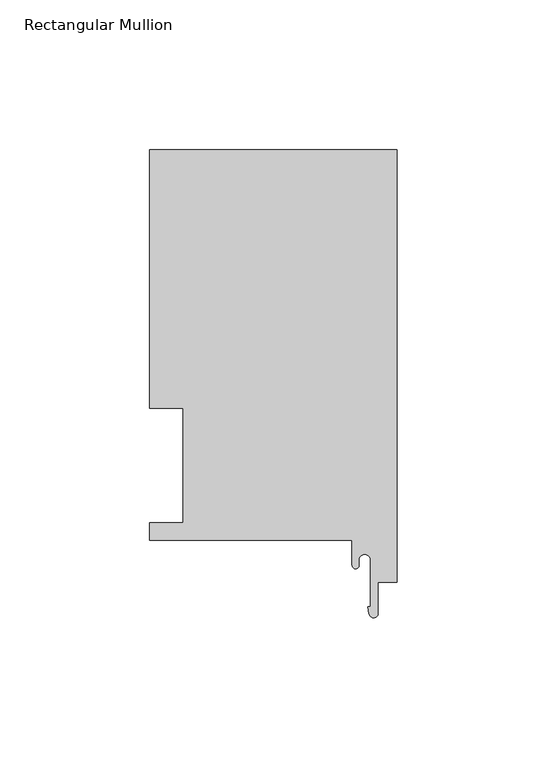
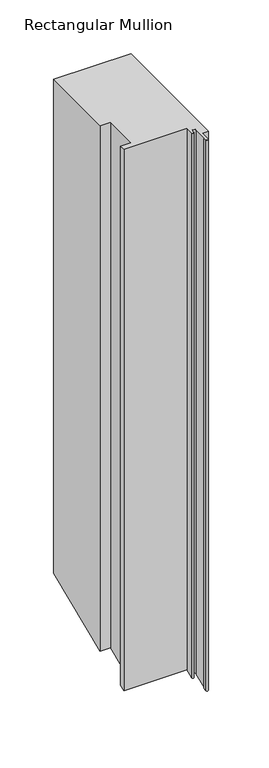
"""IFC4 building model written with IfcOpenShell, lengths in millimetres: member geometry, Rectangular Mullion."""

from ifc_helpers import new_model, si_unit, frame, origin, place, context, project, spatial, polyline, circle_curve, ellipse_curve, source, transform, mapped, element, save
from ifc_brep_helpers import plane_surface, cylinder_surface, revolved_surface, advanced_brep


def rectangular_mullion_72221dca(model_context):
    return source(origin(), model_context, "Body", "AdvancedBrep", [
        advanced_brep(
        [(-82.55, 130.6322, 0.0), (-82.55, 44.45, 0.0), (-71.4450019, 44.45, 0.0), (-71.4450019, 6.35, 0.0), (-82.55, 6.35, 0.0), (-82.55, 0.4064, 0.0), (-14.986, 0.4064, 0.0), (-14.986, -7.9405445, 0.0), (-12.7, -7.9405445, 0.0), (-12.7, -6.1214, 0.0), (-8.89, -6.1214, 0.0), (-8.89, -21.7079145, 0.0), (-9.6940977, -21.7079145, 0.0), (-9.338383, -24.1171734, 0.0), (-6.35, -23.8977531, 0.0), (-6.35, -13.5385716, 0.0), (0.0, -13.5385716, 0.0), (0.0, 130.6322, 0.0), (-82.55, 130.6322, -558.9638318), (-82.55, 44.45, -594.6616679), (-71.4450019, 44.45, -594.6616679), (-71.4450019, 6.35, -610.4432046), (-82.55, 6.35, -610.4432046), (-82.55, 0.4064, -612.9051243), (-14.986, 0.4064, -612.9051243), (-14.986, -7.9405445, -616.3625419), (-12.7, -7.9405445, -616.3625419), (-12.7, -6.1214, -615.6090276), (-8.89, -6.1214, -615.6090276), (-8.89, -21.7079145, -622.0651733), (-9.6940977, -21.7079145, -622.0651733), (-9.338383, -24.1171734, -623.063121), (-6.35, -23.8977531, -622.9722341), (-6.35, -13.5385716, -618.6813207), (0.0, -13.5385716, -618.6813207), (0.0, 130.6322, -558.9638318)],
        [
            (0, 1),
            (1, 2),
            (2, 3),
            (3, 4),
            (4, 5),
            (5, 6),
            (6, 7),
            (7, 8, circle_curve(frame((-13.843, -7.9405445, 0.0), z_axis=(0.0, 0.0, 1.0), x_axis=(0.0, 1.0, 0.0)), 1.143)),
            (8, 9),
            (9, 10, circle_curve(frame((-10.795, -6.1214, 0.0), z_axis=(0.0, 0.0, -1.0), x_axis=(0.0, 1.0, 0.0)), 1.905)),
            (10, 11),
            (11, 12),
            (12, 13),
            (13, 14, circle_curve(frame((-7.8522469, -23.8977531, 0.0), z_axis=(0.0, 0.0, 1.0), x_axis=(0.0, 1.0, 0.0)), 1.5022469)),
            (14, 15),
            (15, 16),
            (16, 17),
            (17, 0),
            (0, 18),
            (18, 19),
            (19, 1),
            (19, 20),
            (20, 2),
            (20, 21),
            (21, 3),
            (21, 22),
            (22, 4),
            (22, 23),
            (23, 5),
            (23, 24),
            (24, 6),
            (24, 25),
            (25, 7),
            (25, 26, ellipse_curve(frame((-13.843, -7.9405445, -616.3625419), z_axis=(0.0, -0.3826834323650894, 0.923879532511287), x_axis=(0.0, 0.9238795325112871, 0.3826834323650891)), 1.2371743, 1.143)),
            (26, 8),
            (26, 27),
            (27, 9),
            (27, 28, ellipse_curve(frame((-10.795, -6.1214, -615.6090276), z_axis=(0.0, 0.3826834323650894, -0.923879532511287), x_axis=(0.0, -0.9238795325112871, -0.3826834323650891)), 2.0619571, 1.905)),
            (28, 10),
            (28, 29),
            (29, 11),
            (29, 30),
            (30, 12),
            (30, 31),
            (31, 13),
            (31, 32, ellipse_curve(frame((-7.8522469, -23.8977531, -622.9722341), z_axis=(0.0, -0.3826834323650894, 0.923879532511287), x_axis=(0.0, 0.9238795325112871, 0.3826834323650891)), 1.6260203, 1.5022469)),
            (32, 14),
            (32, 33),
            (33, 15),
            (33, 34),
            (34, 16),
            (34, 35),
            (35, 17),
            (35, 18),
        ],
        [
            plane_surface(frame((0.0, -154.5292017, 0.0), z_axis=(0.0, 0.0, 1.0), x_axis=(-1.0, 0.0, 0.0))),
            plane_surface(frame((-82.55, 130.6322, 0.0), z_axis=(-1.0, 0.0, 0.0), x_axis=(0.0, 0.0, -1.0))),
            plane_surface(frame((-82.55, 44.45, 0.0), z_axis=(0.0, -1.0, 0.0), x_axis=(0.0, 0.0, -1.0))),
            plane_surface(frame((-71.4450019, 44.45, 0.0), z_axis=(-1.0, 0.0, 0.0), x_axis=(0.0, 0.0, -1.0))),
            plane_surface(frame((-71.4450019, 6.35, 0.0), z_axis=(0.0, 1.0, 0.0), x_axis=(0.0, 0.0, -1.0))),
            plane_surface(frame((-82.55, 6.35, 0.0), z_axis=(-1.0, 0.0, 0.0), x_axis=(0.0, 0.0, -1.0))),
            plane_surface(frame((-82.55, 0.4064, 0.0), z_axis=(0.0, -1.0, 0.0), x_axis=(0.0, 0.0, -1.0))),
            plane_surface(frame((-14.986, 0.4064, 0.0), z_axis=(-1.0, 0.0, 0.0), x_axis=(0.0, 0.0, -1.0))),
            cylinder_surface(frame((-13.843, -7.9405445, 0.0), z_axis=(0.0, 0.0, 1.0), x_axis=(0.0, 1.0, 0.0)), 1.143),
            plane_surface(frame((-12.7, -7.9405445, 0.0), z_axis=(1.0, 0.0, 0.0), x_axis=(0.0, 0.0, -1.0))),
            revolved_surface(polyline([(-10.795, -4.2164, -616.3981044204176), (-10.795, -4.2164, 0.0)]), (-10.795, -6.1214, 0.0), (0.0, 0.0, -1.0)),
            plane_surface(frame((-8.89, -6.1214, 0.0), z_axis=(-1.0, 0.0, 0.0), x_axis=(0.0, 0.0, -1.0))),
            plane_surface(frame((-8.89, -21.7079145, 0.0), z_axis=(0.0, 1.0, 0.0), x_axis=(0.0, 0.0, -1.0))),
            plane_surface(frame((-9.6940977, -21.7079145, 0.0), z_axis=(-0.9892755186217809, -0.14606145369537674, 0.0), x_axis=(0.0, 0.0, -1.0))),
            cylinder_surface(frame((-7.8522469, -23.8977531, 0.0), z_axis=(0.0, 0.0, 1.0), x_axis=(0.0, 1.0, 0.0)), 1.5022469),
            plane_surface(frame((-6.35, -23.8977531, 0.0), z_axis=(1.0, 0.0, 0.0), x_axis=(0.0, 0.0, -1.0))),
            plane_surface(frame((-6.35, -13.5385716, 0.0), z_axis=(0.0, -1.0, 0.0), x_axis=(0.0, 0.0, -1.0))),
            plane_surface(frame((0.0, -13.5385716, 0.0), z_axis=(1.0, 0.0, 0.0), x_axis=(0.0, 0.0, -1.0))),
            plane_surface(frame((0.0, 130.6322, 0.0), z_axis=(0.0, 1.0, 0.0), x_axis=(0.0, 0.0, -1.0))),
            plane_surface(frame((-304.8, 0.0, -613.0734607), z_axis=(0.0, 0.3826834323650894, -0.923879532511287), x_axis=(0.0, 0.923879532511287, 0.3826834323650894))),
        ],
        [
            (0, [[1, 2, 3, 4, 5, 6, 7, 8, 9, 10, 11, 12, 13, 14, 15, 16, 17, 18]]),
            (1, [[-1, 19, 20, 21]]),
            (2, [[-2, -21, 22, 23]]),
            (3, [[-3, -23, 24, 25]]),
            (4, [[-4, -25, 26, 27]]),
            (5, [[-5, -27, 28, 29]]),
            (6, [[-6, -29, 30, 31]]),
            (7, [[-7, -31, 32, 33]]),
            (8, [[-8, -33, 34, 35]]),
            (9, [[-9, -35, 36, 37]]),
            (10, [[-10, -37, 38, 39]]),
            (11, [[-11, -39, 40, 41]]),
            (12, [[-12, -41, 42, 43]]),
            (13, [[-13, -43, 44, 45]]),
            (14, [[-14, -45, 46, 47]]),
            (15, [[-15, -47, 48, 49]]),
            (16, [[-16, -49, 50, 51]]),
            (17, [[-17, -51, 52, 53]]),
            (18, [[-18, -53, 54, -19]]),
            (19, [[-54, -52, -50, -48, -46, -44, -42, -40, -38, -36, -34, -32, -30, -28, -26, -24, -22, -20]]),
        ],
    ),
    ])


if __name__ == "__main__":
    model = new_model("IFC4")
    model_context = context("Model", 3, world=origin())
    ifc_project = project(units=[si_unit("LENGTHUNIT", "METRE", prefix="MILLI")], contexts=[model_context])
    site = spatial("IfcSite", under=ifc_project)
    building = spatial("IfcBuilding", under=site)
    placement = place(None, origin())
    rectangular_mullion_shape = rectangular_mullion_72221dca(model_context)
    element("IfcMember", 1, ObjectType="Rectangular Mullion", at=placement, inside=building, context=model_context, shape_type="MappedRepresentation", body=[
        mapped(rectangular_mullion_shape, transform((0.0, 0.0, 0.0), x_axis=(1.0, 0.0, 0.0), y_axis=(0.0, 1.0, 0.0), z_axis=(0.0, 0.0, 1.0))),
    ])
    save(model, "model.ifc")
